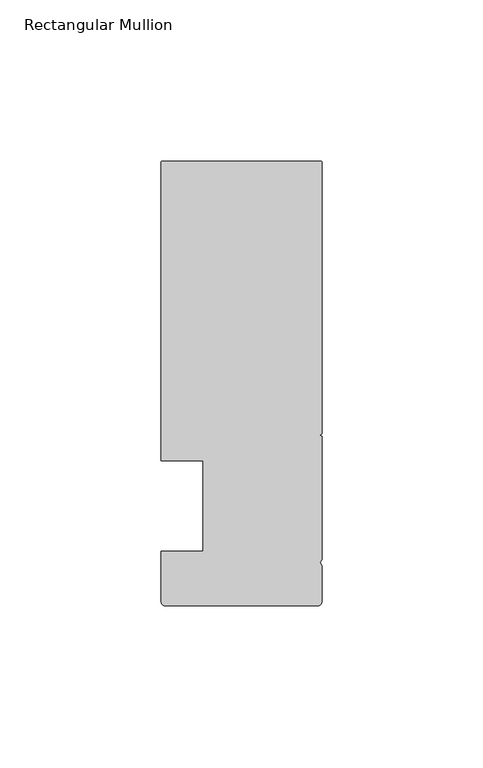
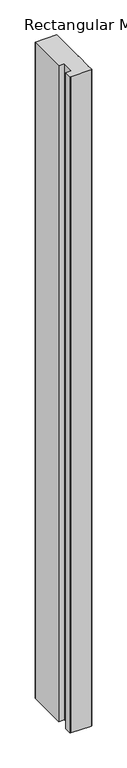
"""IFC4 building model written with IfcOpenShell, lengths in millimetres: member geometry, Rectangular Mullion."""

from ifc_helpers import new_model, si_unit, point, frame, frame_2d, origin, place, context, project, spatial, polyline, circle_curve, trimmed, segment, composite_curve, outline, extrude, source, transform, mapped, element, save


def rectangular_mullion_37843668(model_context):
    return source(origin(), model_context, "Body", "SweptSolid", [
        extrude(outline(composite_curve([segment(trimmed(circle_curve(frame_2d((-49.5, 106.500001)), 0.5), [point((-50.0, 106.500001))], [point((-49.5, 107.000001))], False, "CARTESIAN"), True, "CONTINUOUS"), segment(polyline([(-49.5, 107.000001), (-0.5, 107.000001)]), True, "CONTINUOUS"), segment(trimmed(circle_curve(frame_2d((-0.5, 106.500001)), 0.5), [point((-0.5, 107.000001))], [point((0.0, 106.500001))], False, "CARTESIAN"), True, "CONTINUOUS"), segment(polyline([(0.0, 106.500001), (0.0, 22.4015984), (-0.695587, 22.000001), (0.0, 21.5984037), (0.0, -16.700633), (-0.6643165, -17.3649495), (0.0, -18.5155795), (0.0, -29.499999)]), True, "CONTINUOUS"), segment(trimmed(circle_curve(frame_2d((-1.5, -29.499999)), 1.5), [point((0.0, -29.499999))], [point((-1.5, -30.999999))], False, "CARTESIAN"), True, "CONTINUOUS"), segment(polyline([(-1.5, -30.999999), (-48.5, -30.999999)]), True, "CONTINUOUS"), segment(trimmed(circle_curve(frame_2d((-48.5, -29.499999)), 1.5), [point((-48.5, -30.999999))], [point((-50.0, -29.499999))], False, "CARTESIAN"), True, "CONTINUOUS"), segment(polyline([(-50.0, -29.499999), (-50.0, -14.0), (-36.9999999, -14.0), (-36.9999999, 14.0), (-50.0, 14.0), (-50.0, 106.500001)]), True, "CONTINUOUS")], self_intersect=False)), frame((0.0, 0.0, -1574.3722759), z_axis=(0.0, 0.0, 1.0), x_axis=(1.0, 0.0, 0.0)), (0.0, 0.0, 1.0), 1574.3722759),
    ])


if __name__ == "__main__":
    model = new_model("IFC4")
    model_context = context("Model", 3, world=origin())
    ifc_project = project(units=[si_unit("LENGTHUNIT", "METRE", prefix="MILLI")], contexts=[model_context])
    site = spatial("IfcSite", under=ifc_project)
    building = spatial("IfcBuilding", under=site)
    placement = place(None, origin())
    rectangular_mullion_shape = rectangular_mullion_37843668(model_context)
    element("IfcMember", 1, ObjectType="Rectangular Mullion", at=placement, inside=building, context=model_context, shape_type="MappedRepresentation", body=[
        mapped(rectangular_mullion_shape, transform((0.0, 0.0, 0.0), x_axis=(1.0, 0.0, 0.0), y_axis=(0.0, 1.0, 0.0), z_axis=(0.0, 0.0, 1.0))),
    ])
    save(model, "model.ifc")
